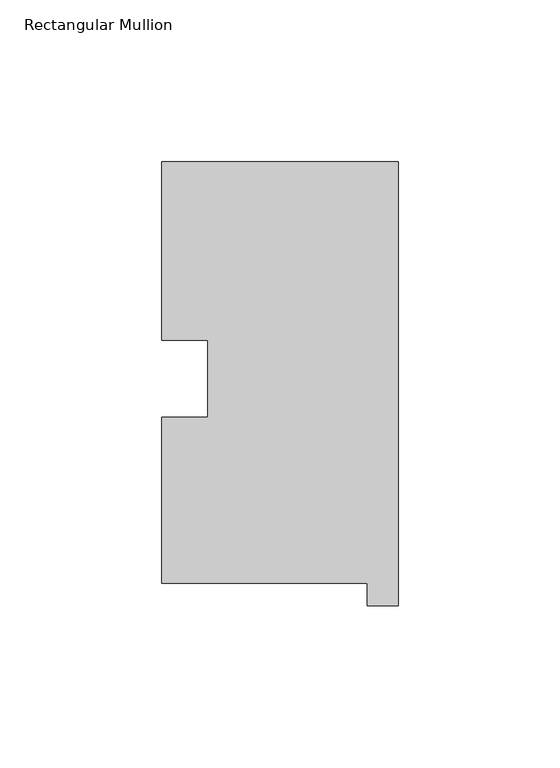
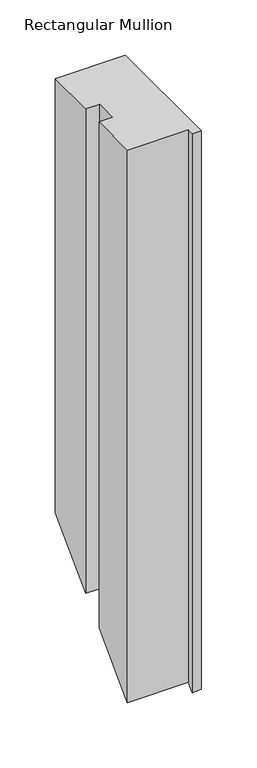
"""IFC4 building model written with IfcOpenShell, lengths in millimetres: member geometry, Rectangular Mullion."""

from ifc_helpers import new_model, si_unit, origin, place, context, project, spatial, faceted_brep, source, transform, mapped, element, save


def rectangular_mullion_a661d955(model_context):
    return source(origin(), model_context, "Body", "Brep", [
        faceted_brep([(-73.025, 130.56235, 0.0), (-73.025, 75.40625, 0.0), (-58.785125, 75.40625, 0.0), (-58.785125, 51.60645, 0.0), (-73.025, 51.60645, 0.0), (-73.025, 0.26035, 0.0), (-9.525, 0.26035, 0.0), (-9.525, -6.64845, 0.0), (0.0, -6.64845, 0.0), (0.0, 130.56235, 0.0), (-73.025, 130.56235, -479.03765), (-73.025, 75.40625, -534.19375), (-58.785125, 75.40625, -534.19375), (-58.785125, 51.60645, -557.99355), (-73.025, 51.60645, -557.99355), (-73.025, 0.26035, -609.33965), (-9.525, 0.26035, -609.33965), (-9.525, -6.64845, -616.24845), (0.0, -6.64845, -616.24845), (0.0, 130.56235, -479.03765)], [[[0, 1, 2, 3, 4, 5, 6, 7, 8, 9]], [[1, 0, 10, 11]], [[2, 1, 11, 12]], [[3, 2, 12, 13]], [[4, 3, 13, 14]], [[5, 4, 14, 15]], [[6, 5, 15, 16]], [[7, 6, 16, 17]], [[8, 7, 17, 18]], [[9, 8, 18, 19]], [[0, 9, 19, 10]], [[10, 19, 18, 17, 16, 15, 14, 13, 12, 11]]]),
    ])


if __name__ == "__main__":
    model = new_model("IFC4")
    model_context = context("Model", 3, world=origin())
    ifc_project = project(units=[si_unit("LENGTHUNIT", "METRE", prefix="MILLI")], contexts=[model_context])
    site = spatial("IfcSite", under=ifc_project)
    building = spatial("IfcBuilding", under=site)
    placement = place(None, origin())
    rectangular_mullion_shape = rectangular_mullion_a661d955(model_context)
    element("IfcMember", 1, ObjectType="Rectangular Mullion", at=placement, inside=building, context=model_context, shape_type="MappedRepresentation", body=[
        mapped(rectangular_mullion_shape, transform((0.0, 0.0, 0.0), x_axis=(1.0, 0.0, 0.0), y_axis=(0.0, 1.0, 0.0), z_axis=(0.0, 0.0, 1.0))),
    ])
    save(model, "model.ifc")
